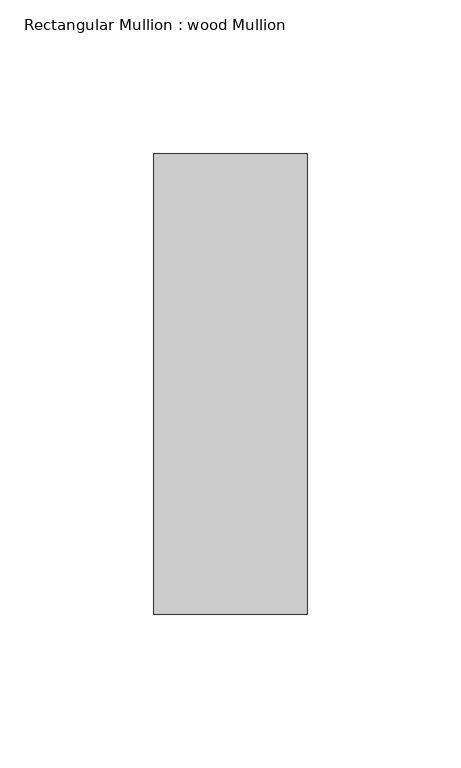
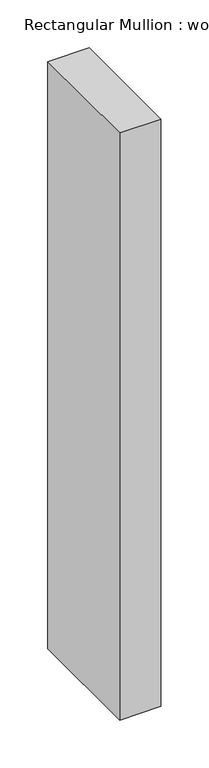
"""IFC4 building model written with IfcOpenShell, lengths in millimetres: member geometry, Rectangular Mullion : wood Mullion."""

from ifc_helpers import new_model, si_unit, frame, origin, place, context, project, spatial, polyline, outline, extrude, source, transform, mapped, element, save


def rectangular_mullion_wood_mullion_457f9466(model_context):
    return source(origin(), model_context, "Body", "SweptSolid", [
        extrude(outline(polyline([(25.0, 75.0), (25.0, -75.0), (-25.0, -75.0), (-25.0, 75.0), (25.0, 75.0)])), frame((0.0, 0.0, -750.0), z_axis=(0.0, 0.0, 1.0), x_axis=(1.0, 0.0, 0.0)), (0.0, 0.0, 1.0), 750.0),
    ])


if __name__ == "__main__":
    model = new_model("IFC4")
    model_context = context("Model", 3, world=origin())
    ifc_project = project(units=[si_unit("LENGTHUNIT", "METRE", prefix="MILLI")], contexts=[model_context])
    site = spatial("IfcSite", under=ifc_project)
    building = spatial("IfcBuilding", under=site)
    placement = place(None, origin())
    rectangular_mullion_wood_mullion_shape = rectangular_mullion_wood_mullion_457f9466(model_context)
    element("IfcMember", 1, ObjectType="Rectangular Mullion : wood Mullion", at=placement, inside=building, context=model_context, shape_type="MappedRepresentation", body=[
        mapped(rectangular_mullion_wood_mullion_shape, transform((0.0, 0.0, 0.0), x_axis=(1.0, 0.0, 0.0), y_axis=(0.0, 1.0, 0.0), z_axis=(0.0, 0.0, 1.0))),
    ])
    save(model, "model.ifc")
